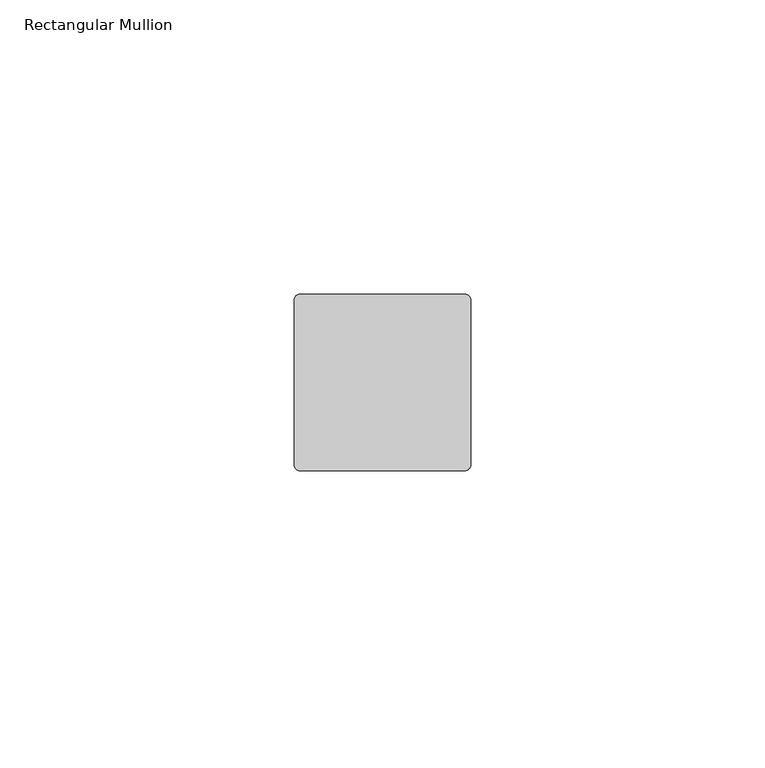
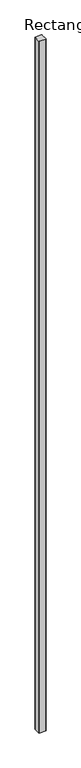
"""IFC4 building model written with IfcOpenShell, lengths in millimetres: member geometry, Rectangular Mullion."""

import ifcopenshell
import ifcopenshell.guid

model = None  # the IFC model being written
_history = None  # IfcOwnerHistory: only IFC2X3 demands one
_inside = {}  # id of a spatial element -> (the spatial element, [elements in it])
_under = {}  # id of a project, library or spatial element -> (it, [spatial elements below it])
_declared = {}  # id of a project -> (the project, [libraries it declares])
_typed = {}  # id of a type object -> (the type object, [elements of that type])
_made_of = {}  # id of a material, layer set ... -> (it, [elements and type objects made of it])


def new_model(schema):
    """Start an empty IFC model of exactly this schema.

    Asked for "IFC4X3", IfcOpenShell would pick the latest addendum, in which some entities
    have other attributes; the version numbers below select the first issue.
    IFC2X3 requires an IfcOwnerHistory on every rooted entity: one is made here for all.
    """
    global model, _history
    if schema == "IFC4X3":
        model = ifcopenshell.file(schema_version=(4, 3, 0, 0))
    else:
        model = ifcopenshell.file(schema=schema)
    _inside.clear()
    _under.clear()
    _declared.clear()
    _typed.clear()
    _made_of.clear()
    _history = None
    if model.schema == "IFC2X3":
        org = make("IfcOrganization", Name="unknown")
        user = make(
            "IfcPersonAndOrganization",
            ThePerson=make("IfcPerson", FamilyName="unknown"),
            TheOrganization=org,
        )
        app = make(
            "IfcApplication",
            ApplicationDeveloper=org,
            Version="unknown",
            ApplicationFullName="unknown",
            ApplicationIdentifier="unknown",
        )
        _history = make(
            "IfcOwnerHistory",
            OwningUser=user,
            OwningApplication=app,
            ChangeAction="ADDED",
            CreationDate=0,
        )
    return model


def make(cls, **values):
    """One entity of the class cls with the attributes given. An attribute that is None is left unset."""
    return model.create_entity(
        cls, **{name: value for name, value in values.items() if value is not None}
    )


def rooted(cls, **values):
    """An entity with a GlobalId (a new one), such as an element, a storey or a relation."""
    return make(cls, GlobalId=ifcopenshell.guid.new(), OwnerHistory=_history, **values)


def si_unit(unit_type, name, prefix=None):
    """IfcSIUnit, for example si_unit("LENGTHUNIT", "METRE", prefix="MILLI")."""
    return make("IfcSIUnit", UnitType=unit_type, Prefix=prefix, Name=name)


def assignment(units):
    """IfcUnitAssignment: the units of a project."""
    return None if units is None else make("IfcUnitAssignment", Units=units)


def point(xyz):
    """IfcCartesianPoint."""
    return None if xyz is None else make("IfcCartesianPoint", Coordinates=xyz)


def direction(xyz):
    """IfcDirection."""
    return None if xyz is None else make("IfcDirection", DirectionRatios=xyz)


def frame(location, z_axis=None, x_axis=None):
    """IfcAxis2Placement3D, a coordinate frame: its origin and axes. An axis left out is left unset."""
    return make(
        "IfcAxis2Placement3D",
        Location=point(location),
        Axis=direction(z_axis),
        RefDirection=direction(x_axis),
    )


def frame_2d(location, x_axis=None):
    """IfcAxis2Placement2D, a coordinate frame in the plane: its origin and x axis."""
    return make(
        "IfcAxis2Placement2D", Location=point(location), RefDirection=direction(x_axis)
    )


def origin():
    """The frame at (0, 0, 0) with its axes left unset."""
    return frame((0.0, 0.0, 0.0))


def place(relative_to, where):
    """IfcLocalPlacement: puts the frame where relative to a parent placement (None: the world)."""
    return make(
        "IfcLocalPlacement", PlacementRelTo=relative_to, RelativePlacement=where
    )


def context(
    kind, dimensions, precision=None, world=None, true_north=None, identifier=None
):
    """IfcGeometricRepresentationContext, for example the 3D "Model" context."""
    return make(
        "IfcGeometricRepresentationContext",
        ContextIdentifier=identifier,
        ContextType=kind,
        CoordinateSpaceDimension=dimensions,
        Precision=precision,
        WorldCoordinateSystem=world,
        TrueNorth=true_north,
    )


def project(units=None, contexts=None):
    """IfcProject with its units and contexts."""
    return rooted(
        "IfcProject",
        Name="project",
        RepresentationContexts=contexts,
        UnitsInContext=assignment(units),
    )


def spatial(cls, under=None, at=None, **own):
    """A site, building, storey or space (cls), placed at a placement, below another one or the project."""
    s = rooted(cls, ObjectPlacement=at, **own)
    if under is not None:
        _under.setdefault(under.id(), (under, []))[1].append(s)
    return s


def polyline(points):
    """IfcPolyline through the points."""
    return make("IfcPolyline", Points=[point(p) for p in points])


def circle_curve(where, radius):
    """IfcCircle in the frame where."""
    return make("IfcCircle", Position=where, Radius=radius)


def trimmed(basis, trim1, trim2, sense, master):
    """IfcTrimmedCurve: the piece of a basis curve between two trims."""
    return make(
        "IfcTrimmedCurve",
        BasisCurve=basis,
        Trim1=trim1,
        Trim2=trim2,
        SenseAgreement=sense,
        MasterRepresentation=master,
    )


def segment(curve, same_sense, transition):
    """IfcCompositeCurveSegment."""
    return make(
        "IfcCompositeCurveSegment",
        Transition=transition,
        SameSense=same_sense,
        ParentCurve=curve,
    )


def composite_curve(segments, self_intersect=None):
    """IfcCompositeCurve: segments joined end to end."""
    return make("IfcCompositeCurve", Segments=segments, SelfIntersect=self_intersect)


def outline(outer, holes=None, kind="AREA"):
    """IfcArbitraryClosedProfileDef: a profile drawn as a closed curve; with holes, ...WithVoids."""
    if holes is None:
        return make("IfcArbitraryClosedProfileDef", ProfileType=kind, OuterCurve=outer)
    return make(
        "IfcArbitraryProfileDefWithVoids",
        ProfileType=kind,
        OuterCurve=outer,
        InnerCurves=holes,
    )


def extrude(swept, where, along, depth):
    """IfcExtrudedAreaSolid: the profile swept, set in the frame where, extruded along a direction by depth."""
    return make(
        "IfcExtrudedAreaSolid",
        SweptArea=swept,
        Position=where,
        ExtrudedDirection=direction(along),
        Depth=depth,
    )


def shape(context_of_items, identifier, shape_type, items):
    """IfcShapeRepresentation: the items that make up one representation, for example the "Body"."""
    return make(
        "IfcShapeRepresentation",
        ContextOfItems=context_of_items,
        RepresentationIdentifier=identifier,
        RepresentationType=shape_type,
        Items=items,
    )


def source(mapping_origin, context_of_items, identifier, shape_type, items):
    """IfcRepresentationMap: a shape defined once, which mapped items show again and again."""
    return make(
        "IfcRepresentationMap",
        MappingOrigin=mapping_origin,
        MappedRepresentation=shape(context_of_items, identifier, shape_type, items),
    )


def transform(
    local_origin,
    x_axis=None,
    y_axis=None,
    z_axis=None,
    scale=None,
    scale2=None,
    scale3=None,
    uniform=True,
):
    """IfcCartesianTransformationOperator3D, or its non-uniform kind. x_axis, y_axis, z_axis: its Axis1, 2, 3."""
    if uniform:
        return make(
            "IfcCartesianTransformationOperator3D",
            Axis1=direction(x_axis),
            Axis2=direction(y_axis),
            LocalOrigin=point(local_origin),
            Scale=scale,
            Axis3=direction(z_axis),
        )
    return make(
        "IfcCartesianTransformationOperator3DnonUniform",
        Axis1=direction(x_axis),
        Axis2=direction(y_axis),
        LocalOrigin=point(local_origin),
        Scale=scale,
        Axis3=direction(z_axis),
        Scale2=scale2,
        Scale3=scale3,
    )


def mapped(mapping_source, mapping_target):
    """IfcMappedItem: shows the shape of a source again, moved by a transform."""
    return make(
        "IfcMappedItem", MappingSource=mapping_source, MappingTarget=mapping_target
    )


def made_of(thing, what):
    """Note that an element or type object is made of a material, layer set ...; save() writes the relation."""
    if what is not None:
        _made_of.setdefault(what.id(), (what, []))[1].append(thing)
    return thing


def element(
    cls,
    number,
    at=None,
    inside=None,
    cuts=None,
    type_object=None,
    material=None,
    context=None,
    identifier="Body",
    shape_type=None,
    held_by="IfcProductDefinitionShape",
    body=None,
    shapes=None,
    **own,
):
    """One element of the class cls, such as IfcWall. Its Tag is "e" and its number.

    at: its placement. inside: the storey or other place that contains it. cuts: it is an
    opening in that element (IfcRelVoidsElement). A single representation is given by context,
    identifier, shape_type and body (its items); several are given by shapes. held_by: the class
    of the entity that holds the representations. save() writes the other relations.
    """
    e = rooted(cls, Tag="e%d" % number, ObjectPlacement=at, **own)
    if body is not None:
        shapes = [shape(context, identifier, shape_type, body)]
    if shapes is not None:
        e.Representation = make(held_by, Representations=shapes)
    if inside is not None:
        _inside.setdefault(inside.id(), (inside, []))[1].append(e)
    if cuts is not None:
        rooted(
            "IfcRelVoidsElement", RelatingBuildingElement=cuts, RelatedOpeningElement=e
        )
    if type_object is not None:
        _typed.setdefault(type_object.id(), (type_object, []))[1].append(e)
    return made_of(e, material)


def aggregate(whole, parts):
    """IfcRelAggregates: a whole, such as a stair, and the parts it consists of."""
    return rooted("IfcRelAggregates", RelatingObject=whole, RelatedObjects=parts)


def save(model, path):
    """Write the relations noted so far, then the file.

    IfcRelAggregates (storeys below a building ...), IfcRelContainedInSpatialStructure (elements
    in a storey), IfcRelDefinesByType, IfcRelAssociatesMaterial and IfcRelDeclares: one each for
    every whole, place, type object, material and project.
    """
    for whole, parts in _under.values():
        aggregate(whole, parts)
    for where, things in _inside.values():
        rooted(
            "IfcRelContainedInSpatialStructure",
            RelatedElements=things,
            RelatingStructure=where,
        )
    for kind, things in _typed.values():
        rooted("IfcRelDefinesByType", RelatedObjects=things, RelatingType=kind)
    for what, things in _made_of.values():
        rooted("IfcRelAssociatesMaterial", RelatedObjects=things, RelatingMaterial=what)
    for by, libraries in _declared.values():
        rooted("IfcRelDeclares", RelatingContext=by, RelatedDefinitions=libraries)
    model.write(path)


def rectangular_mullion_6846cbd1(model_context):
    return source(origin(), model_context, "Body", "SweptSolid", [
        extrude(outline(composite_curve([segment(polyline([(-14.0, 15.0), (14.0, 15.0)]), True, "CONTINUOUS"), segment(trimmed(circle_curve(frame_2d((14.0, 14.0)), 1.0), [point((14.0, 15.0))], [point((15.0, 14.0))], False, "CARTESIAN"), True, "CONTINUOUS"), segment(polyline([(15.0, 14.0), (15.0, -14.0)]), True, "CONTINUOUS"), segment(trimmed(circle_curve(frame_2d((14.0, -14.0)), 1.0), [point((15.0, -14.0))], [point((14.0, -15.0))], False, "CARTESIAN"), True, "CONTINUOUS"), segment(polyline([(14.0, -15.0), (-14.0, -15.0)]), True, "CONTINUOUS"), segment(trimmed(circle_curve(frame_2d((-14.0, -14.0)), 1.0), [point((-14.0, -15.0))], [point((-15.0, -14.0))], False, "CARTESIAN"), True, "CONTINUOUS"), segment(polyline([(-15.0, -14.0), (-15.0, 14.0)]), True, "CONTINUOUS"), segment(trimmed(circle_curve(frame_2d((-14.0, 14.0)), 1.0), [point((-15.0, 14.0))], [point((-14.0, 15.0))], False, "CARTESIAN"), True, "CONTINUOUS")], self_intersect=False)), frame((0.0, 0.0, -2999.4803257), z_axis=(0.0, 0.0, 1.0), x_axis=(1.0, 0.0, 0.0)), (0.0, 0.0, 1.0), 2999.4803257),
    ])


if __name__ == "__main__":
    model = new_model("IFC4")
    model_context = context("Model", 3, world=origin())
    ifc_project = project(units=[si_unit("LENGTHUNIT", "METRE", prefix="MILLI")], contexts=[model_context])
    site = spatial("IfcSite", under=ifc_project)
    building = spatial("IfcBuilding", under=site)
    placement = place(None, origin())
    rectangular_mullion_shape = rectangular_mullion_6846cbd1(model_context)
    element("IfcMember", 1, ObjectType="Rectangular Mullion", at=placement, inside=building, context=model_context, shape_type="MappedRepresentation", body=[
        mapped(rectangular_mullion_shape, transform((0.0, 0.0, 0.0), x_axis=(1.0, 0.0, 0.0), y_axis=(0.0, 1.0, 0.0), z_axis=(0.0, 0.0, 1.0))),
    ])
    save(model, "model.ifc")
